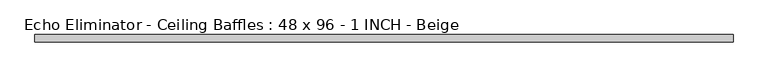
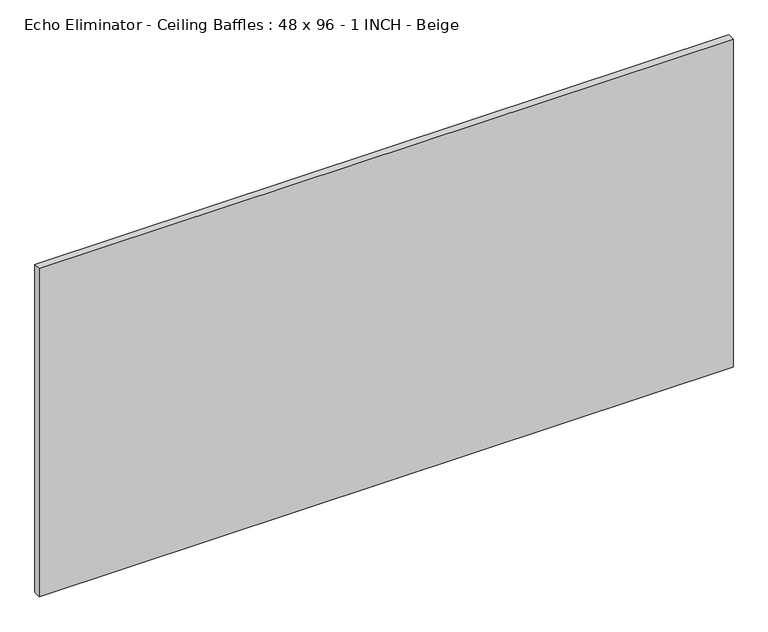
"""IFC4 building model written with IfcOpenShell, lengths in millimetres: proxy geometry, Echo Eliminator - Ceiling Baffles : 48 x 96 - 1 INCH - Beige."""

from ifc_helpers import new_model, si_unit, origin, origin_with_axes, place, context, project, spatial, polyline, outline, extrude, source, transform, mapped, element, save


def echo_eliminator_ceiling_baffles_48_x_96_1_inch_beige_1b47e075(model_context):
    return source(origin(), model_context, "Body", "SweptSolid", [
        extrude(outline(polyline([(1219.2, -25.4), (-1219.2, -25.4), (-1219.2, 0.0), (1219.2, 0.0), (1219.2, -25.4)])), origin_with_axes(), (0.0, 0.0, 1.0), 1219.2),
    ])


if __name__ == "__main__":
    model = new_model("IFC4")
    model_context = context("Model", 3, world=origin())
    ifc_project = project(units=[si_unit("LENGTHUNIT", "METRE", prefix="MILLI")], contexts=[model_context])
    site = spatial("IfcSite", under=ifc_project)
    building = spatial("IfcBuilding", under=site)
    placement = place(None, origin())
    echo_eliminator_ceiling_baffles_48_x_96_1_inch_beige_shape = echo_eliminator_ceiling_baffles_48_x_96_1_inch_beige_1b47e075(model_context)
    element("IfcBuildingElementProxy", 1, Name="Echo Eliminator - Ceiling Baffles : 48 x 96 - 1 INCH - Beige", ObjectType="Echo Eliminator - Ceiling Baffles : 48 x 96 - 1 INCH - Beige", at=placement, inside=building, context=model_context, shape_type="MappedRepresentation", body=[
        mapped(echo_eliminator_ceiling_baffles_48_x_96_1_inch_beige_shape, transform((0.0, 0.0, 0.0), x_axis=(1.0, 0.0, 0.0), y_axis=(0.0, 1.0, 0.0), z_axis=(0.0, 0.0, 1.0))),
    ])
    save(model, "model.ifc")
